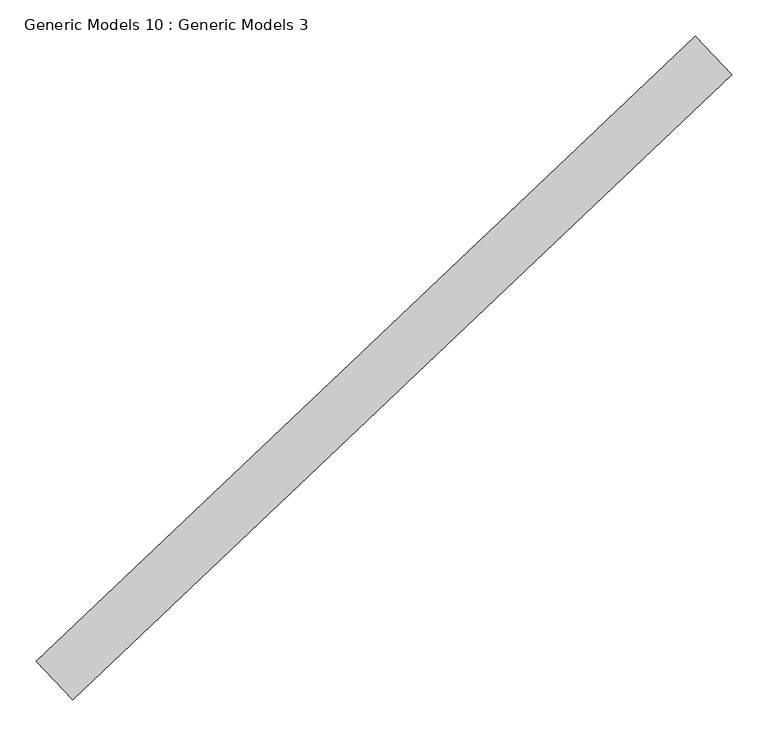
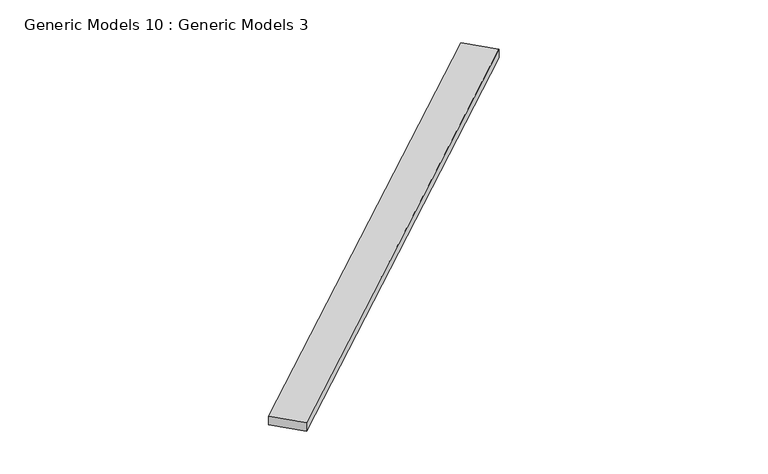
"""IFC4 building model written with IfcOpenShell, lengths in millimetres: proxy geometry, Generic Models 10 : Generic Models 3."""

from ifc_helpers import new_model, si_unit, frame, origin, place, context, project, spatial, polyline, outline, extrude, source, transform, mapped, element, save


def generic_models_10_generic_models_3_7fb8882d(model_context):
    return source(origin(), model_context, "Body", "SweptSolid", [
        extrude(outline(polyline([(102708.3190883, 43616.8809222), (102758.4707039, 43564.0321464), (101849.9121027, 42701.842227), (101799.7604871, 42754.6910028), (102708.3190883, 43616.8809222)])), frame((0.0, 0.0, 17137.0625), z_axis=(0.0, 0.0, 1.0), x_axis=(1.0, 0.0, 0.0)), (0.0, 0.0, 1.0), 19.3675),
    ])


if __name__ == "__main__":
    model = new_model("IFC4")
    model_context = context("Model", 3, world=origin())
    ifc_project = project(units=[si_unit("LENGTHUNIT", "METRE", prefix="MILLI")], contexts=[model_context])
    site = spatial("IfcSite", under=ifc_project)
    building = spatial("IfcBuilding", under=site)
    placement = place(None, origin())
    generic_models_10_generic_models_3_shape = generic_models_10_generic_models_3_7fb8882d(model_context)
    element("IfcBuildingElementProxy", 1, Name="Generic Models 10 : Generic Models 3", ObjectType="Generic Models 10 : Generic Models 3", at=placement, inside=building, context=model_context, shape_type="MappedRepresentation", body=[
        mapped(generic_models_10_generic_models_3_shape, transform((0.0, 0.0, 0.0), x_axis=(1.0, 0.0, 0.0), y_axis=(0.0, 1.0, 0.0), z_axis=(0.0, 0.0, 1.0))),
    ])
    save(model, "model.ifc")
